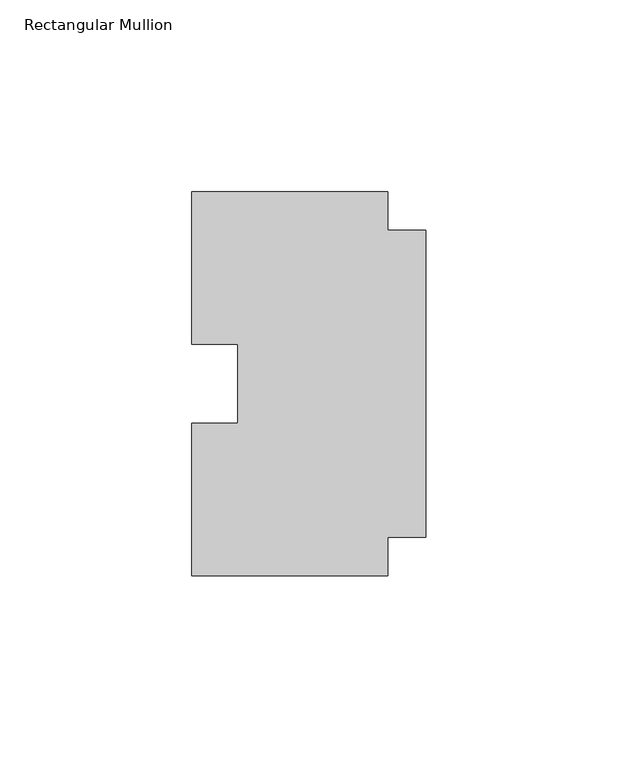
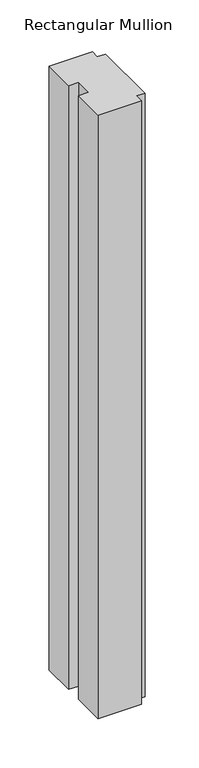
"""IFC4 building model written with IfcOpenShell, lengths in millimetres: member geometry, Rectangular Mullion."""

from ifc_helpers import new_model, si_unit, frame, origin, place, context, project, spatial, polyline, outline, extrude, source, transform, mapped, element, save


def rectangular_mullion_f9a322a6(model_context):
    return source(origin(), model_context, "Body", "SweptSolid", [
        extrude(outline(polyline([(-10.0, 40.0), (0.0, 40.0), (0.0, -40.0), (-10.0, -40.0), (-10.0, -50.0), (-61.0, -50.0), (-61.0, -10.25), (-49.0, -10.25), (-49.0, 10.25), (-61.0, 10.25), (-61.0, 50.0), (-10.0, 50.0), (-10.0, 40.0)])), frame((0.0, 0.0, -750.0), z_axis=(0.0, 0.0, 1.0), x_axis=(1.0, 0.0, 0.0)), (0.0, 0.0, 1.0), 750.0),
    ])


if __name__ == "__main__":
    model = new_model("IFC4")
    model_context = context("Model", 3, world=origin())
    ifc_project = project(units=[si_unit("LENGTHUNIT", "METRE", prefix="MILLI")], contexts=[model_context])
    site = spatial("IfcSite", under=ifc_project)
    building = spatial("IfcBuilding", under=site)
    placement = place(None, origin())
    rectangular_mullion_shape = rectangular_mullion_f9a322a6(model_context)
    element("IfcMember", 1, ObjectType="Rectangular Mullion", at=placement, inside=building, context=model_context, shape_type="MappedRepresentation", body=[
        mapped(rectangular_mullion_shape, transform((0.0, 0.0, 0.0), x_axis=(1.0, 0.0, 0.0), y_axis=(0.0, 1.0, 0.0), z_axis=(0.0, 0.0, 1.0))),
    ])
    save(model, "model.ifc")
